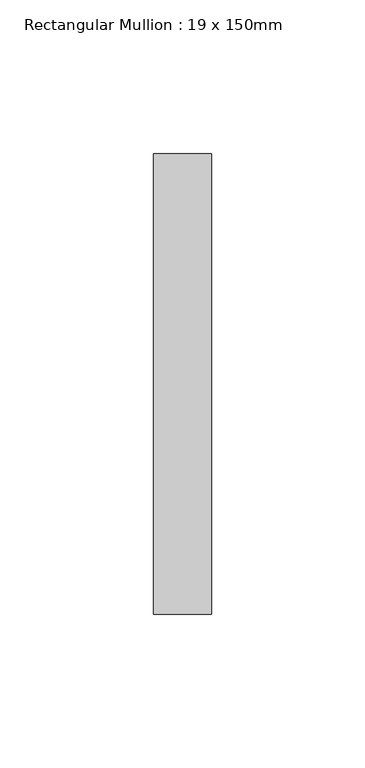
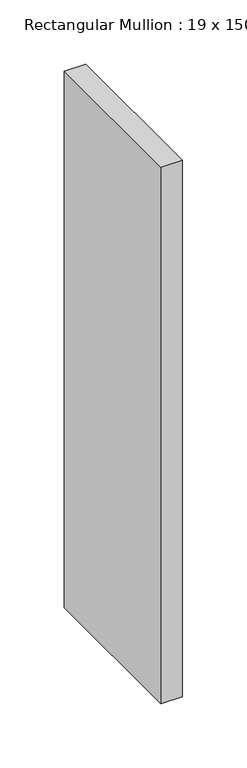
"""IFC4 building model written with IfcOpenShell, lengths in millimetres: member geometry, Rectangular Mullion : 19 x 150mm."""

from ifc_helpers import new_model, si_unit, frame, origin, place, context, project, spatial, polyline, outline, extrude, source, transform, mapped, element, save


def rectangular_mullion_19_x_150mm_b2c77a2f(model_context):
    return source(origin(), model_context, "Body", "SweptSolid", [
        extrude(outline(polyline([(9.5, -25.0), (9.5, -175.0), (-9.5, -175.0), (-9.5, -25.0), (9.5, -25.0)])), frame((0.0, 0.0, -508.4997052), z_axis=(0.0, 0.0, 1.0), x_axis=(1.0, 0.0, 0.0)), (0.0, 0.0, 1.0), 508.4997052),
    ])


if __name__ == "__main__":
    model = new_model("IFC4")
    model_context = context("Model", 3, world=origin())
    ifc_project = project(units=[si_unit("LENGTHUNIT", "METRE", prefix="MILLI")], contexts=[model_context])
    site = spatial("IfcSite", under=ifc_project)
    building = spatial("IfcBuilding", under=site)
    placement = place(None, origin())
    rectangular_mullion_19_x_150mm_shape = rectangular_mullion_19_x_150mm_b2c77a2f(model_context)
    element("IfcMember", 1, ObjectType="Rectangular Mullion : 19 x 150mm", at=placement, inside=building, context=model_context, shape_type="MappedRepresentation", body=[
        mapped(rectangular_mullion_19_x_150mm_shape, transform((0.0, 0.0, 0.0), x_axis=(1.0, 0.0, 0.0), y_axis=(0.0, 1.0, 0.0), z_axis=(0.0, 0.0, 1.0))),
    ])
    save(model, "model.ifc")
